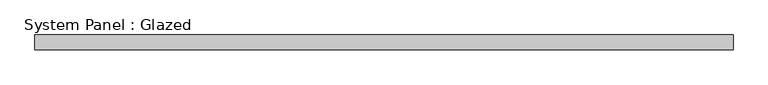
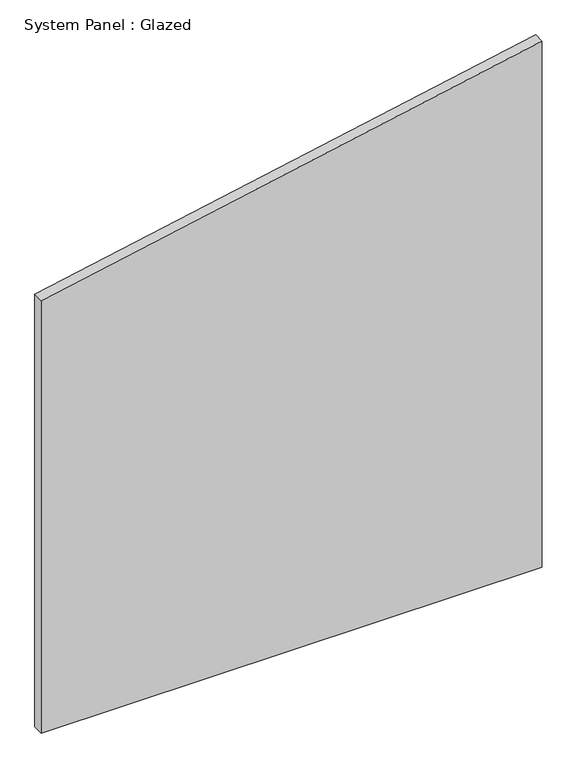
"""IFC4 building model written with IfcOpenShell, lengths in millimetres: plate geometry, System Panel : Glazed."""

import ifcopenshell
import ifcopenshell.guid

model = None  # the IFC model being written
_history = None  # IfcOwnerHistory: only IFC2X3 demands one
_inside = {}  # id of a spatial element -> (the spatial element, [elements in it])
_under = {}  # id of a project, library or spatial element -> (it, [spatial elements below it])
_declared = {}  # id of a project -> (the project, [libraries it declares])
_typed = {}  # id of a type object -> (the type object, [elements of that type])
_made_of = {}  # id of a material, layer set ... -> (it, [elements and type objects made of it])


def new_model(schema):
    """Start an empty IFC model of exactly this schema.

    Asked for "IFC4X3", IfcOpenShell would pick the latest addendum, in which some entities
    have other attributes; the version numbers below select the first issue.
    IFC2X3 requires an IfcOwnerHistory on every rooted entity: one is made here for all.
    """
    global model, _history
    if schema == "IFC4X3":
        model = ifcopenshell.file(schema_version=(4, 3, 0, 0))
    else:
        model = ifcopenshell.file(schema=schema)
    _inside.clear()
    _under.clear()
    _declared.clear()
    _typed.clear()
    _made_of.clear()
    _history = None
    if model.schema == "IFC2X3":
        org = make("IfcOrganization", Name="unknown")
        user = make(
            "IfcPersonAndOrganization",
            ThePerson=make("IfcPerson", FamilyName="unknown"),
            TheOrganization=org,
        )
        app = make(
            "IfcApplication",
            ApplicationDeveloper=org,
            Version="unknown",
            ApplicationFullName="unknown",
            ApplicationIdentifier="unknown",
        )
        _history = make(
            "IfcOwnerHistory",
            OwningUser=user,
            OwningApplication=app,
            ChangeAction="ADDED",
            CreationDate=0,
        )
    return model


def make(cls, **values):
    """One entity of the class cls with the attributes given. An attribute that is None is left unset."""
    return model.create_entity(
        cls, **{name: value for name, value in values.items() if value is not None}
    )


def rooted(cls, **values):
    """An entity with a GlobalId (a new one), such as an element, a storey or a relation."""
    return make(cls, GlobalId=ifcopenshell.guid.new(), OwnerHistory=_history, **values)


def si_unit(unit_type, name, prefix=None):
    """IfcSIUnit, for example si_unit("LENGTHUNIT", "METRE", prefix="MILLI")."""
    return make("IfcSIUnit", UnitType=unit_type, Prefix=prefix, Name=name)


def assignment(units):
    """IfcUnitAssignment: the units of a project."""
    return None if units is None else make("IfcUnitAssignment", Units=units)


def point(xyz):
    """IfcCartesianPoint."""
    return None if xyz is None else make("IfcCartesianPoint", Coordinates=xyz)


def direction(xyz):
    """IfcDirection."""
    return None if xyz is None else make("IfcDirection", DirectionRatios=xyz)


def frame(location, z_axis=None, x_axis=None):
    """IfcAxis2Placement3D, a coordinate frame: its origin and axes. An axis left out is left unset."""
    return make(
        "IfcAxis2Placement3D",
        Location=point(location),
        Axis=direction(z_axis),
        RefDirection=direction(x_axis),
    )


def origin():
    """The frame at (0, 0, 0) with its axes left unset."""
    return frame((0.0, 0.0, 0.0))


def place(relative_to, where):
    """IfcLocalPlacement: puts the frame where relative to a parent placement (None: the world)."""
    return make(
        "IfcLocalPlacement", PlacementRelTo=relative_to, RelativePlacement=where
    )


def context(
    kind, dimensions, precision=None, world=None, true_north=None, identifier=None
):
    """IfcGeometricRepresentationContext, for example the 3D "Model" context."""
    return make(
        "IfcGeometricRepresentationContext",
        ContextIdentifier=identifier,
        ContextType=kind,
        CoordinateSpaceDimension=dimensions,
        Precision=precision,
        WorldCoordinateSystem=world,
        TrueNorth=true_north,
    )


def project(units=None, contexts=None):
    """IfcProject with its units and contexts."""
    return rooted(
        "IfcProject",
        Name="project",
        RepresentationContexts=contexts,
        UnitsInContext=assignment(units),
    )


def spatial(cls, under=None, at=None, **own):
    """A site, building, storey or space (cls), placed at a placement, below another one or the project."""
    s = rooted(cls, ObjectPlacement=at, **own)
    if under is not None:
        _under.setdefault(under.id(), (under, []))[1].append(s)
    return s


def polyline(points):
    """IfcPolyline through the points."""
    return make("IfcPolyline", Points=[point(p) for p in points])


def outline(outer, holes=None, kind="AREA"):
    """IfcArbitraryClosedProfileDef: a profile drawn as a closed curve; with holes, ...WithVoids."""
    if holes is None:
        return make("IfcArbitraryClosedProfileDef", ProfileType=kind, OuterCurve=outer)
    return make(
        "IfcArbitraryProfileDefWithVoids",
        ProfileType=kind,
        OuterCurve=outer,
        InnerCurves=holes,
    )


def extrude(swept, where, along, depth):
    """IfcExtrudedAreaSolid: the profile swept, set in the frame where, extruded along a direction by depth."""
    return make(
        "IfcExtrudedAreaSolid",
        SweptArea=swept,
        Position=where,
        ExtrudedDirection=direction(along),
        Depth=depth,
    )


def shape(context_of_items, identifier, shape_type, items):
    """IfcShapeRepresentation: the items that make up one representation, for example the "Body"."""
    return make(
        "IfcShapeRepresentation",
        ContextOfItems=context_of_items,
        RepresentationIdentifier=identifier,
        RepresentationType=shape_type,
        Items=items,
    )


def source(mapping_origin, context_of_items, identifier, shape_type, items):
    """IfcRepresentationMap: a shape defined once, which mapped items show again and again."""
    return make(
        "IfcRepresentationMap",
        MappingOrigin=mapping_origin,
        MappedRepresentation=shape(context_of_items, identifier, shape_type, items),
    )


def transform(
    local_origin,
    x_axis=None,
    y_axis=None,
    z_axis=None,
    scale=None,
    scale2=None,
    scale3=None,
    uniform=True,
):
    """IfcCartesianTransformationOperator3D, or its non-uniform kind. x_axis, y_axis, z_axis: its Axis1, 2, 3."""
    if uniform:
        return make(
            "IfcCartesianTransformationOperator3D",
            Axis1=direction(x_axis),
            Axis2=direction(y_axis),
            LocalOrigin=point(local_origin),
            Scale=scale,
            Axis3=direction(z_axis),
        )
    return make(
        "IfcCartesianTransformationOperator3DnonUniform",
        Axis1=direction(x_axis),
        Axis2=direction(y_axis),
        LocalOrigin=point(local_origin),
        Scale=scale,
        Axis3=direction(z_axis),
        Scale2=scale2,
        Scale3=scale3,
    )


def mapped(mapping_source, mapping_target):
    """IfcMappedItem: shows the shape of a source again, moved by a transform."""
    return make(
        "IfcMappedItem", MappingSource=mapping_source, MappingTarget=mapping_target
    )


def made_of(thing, what):
    """Note that an element or type object is made of a material, layer set ...; save() writes the relation."""
    if what is not None:
        _made_of.setdefault(what.id(), (what, []))[1].append(thing)
    return thing


def element(
    cls,
    number,
    at=None,
    inside=None,
    cuts=None,
    type_object=None,
    material=None,
    context=None,
    identifier="Body",
    shape_type=None,
    held_by="IfcProductDefinitionShape",
    body=None,
    shapes=None,
    **own,
):
    """One element of the class cls, such as IfcWall. Its Tag is "e" and its number.

    at: its placement. inside: the storey or other place that contains it. cuts: it is an
    opening in that element (IfcRelVoidsElement). A single representation is given by context,
    identifier, shape_type and body (its items); several are given by shapes. held_by: the class
    of the entity that holds the representations. save() writes the other relations.
    """
    e = rooted(cls, Tag="e%d" % number, ObjectPlacement=at, **own)
    if body is not None:
        shapes = [shape(context, identifier, shape_type, body)]
    if shapes is not None:
        e.Representation = make(held_by, Representations=shapes)
    if inside is not None:
        _inside.setdefault(inside.id(), (inside, []))[1].append(e)
    if cuts is not None:
        rooted(
            "IfcRelVoidsElement", RelatingBuildingElement=cuts, RelatedOpeningElement=e
        )
    if type_object is not None:
        _typed.setdefault(type_object.id(), (type_object, []))[1].append(e)
    return made_of(e, material)


def aggregate(whole, parts):
    """IfcRelAggregates: a whole, such as a stair, and the parts it consists of."""
    return rooted("IfcRelAggregates", RelatingObject=whole, RelatedObjects=parts)


def save(model, path):
    """Write the relations noted so far, then the file.

    IfcRelAggregates (storeys below a building ...), IfcRelContainedInSpatialStructure (elements
    in a storey), IfcRelDefinesByType, IfcRelAssociatesMaterial and IfcRelDeclares: one each for
    every whole, place, type object, material and project.
    """
    for whole, parts in _under.values():
        aggregate(whole, parts)
    for where, things in _inside.values():
        rooted(
            "IfcRelContainedInSpatialStructure",
            RelatedElements=things,
            RelatingStructure=where,
        )
    for kind, things in _typed.values():
        rooted("IfcRelDefinesByType", RelatedObjects=things, RelatingType=kind)
    for what, things in _made_of.values():
        rooted("IfcRelAssociatesMaterial", RelatedObjects=things, RelatingMaterial=what)
    for by, libraries in _declared.values():
        rooted("IfcRelDeclares", RelatingContext=by, RelatedDefinitions=libraries)
    model.write(path)


def system_panel_glazed_be37acdc(model_context):
    return source(origin(), model_context, "Body", "SweptSolid", [
        extrude(outline(polyline([(0.0, -593.25), (0.0, 593.25), (1316.716817, 593.25), (1082.690669, -593.25), (0.0, -593.25)])), frame((0.0, 19.05, 0.0), z_axis=(0.0, 1.0, 0.0), x_axis=(0.0, 0.0, 1.0)), (0.0, 0.0, 1.0), 25.4),
    ])


if __name__ == "__main__":
    model = new_model("IFC4")
    model_context = context("Model", 3, world=origin())
    ifc_project = project(units=[si_unit("LENGTHUNIT", "METRE", prefix="MILLI")], contexts=[model_context])
    site = spatial("IfcSite", under=ifc_project)
    building = spatial("IfcBuilding", under=site)
    placement = place(None, origin())
    system_panel_glazed_shape = system_panel_glazed_be37acdc(model_context)
    element("IfcPlate", 1, ObjectType="System Panel : Glazed", at=placement, inside=building, context=model_context, shape_type="MappedRepresentation", body=[
        mapped(system_panel_glazed_shape, transform((0.0, 0.0, 0.0), x_axis=(1.0, 0.0, 0.0), y_axis=(0.0, 1.0, 0.0), z_axis=(0.0, 0.0, 1.0))),
    ])
    save(model, "model.ifc")
